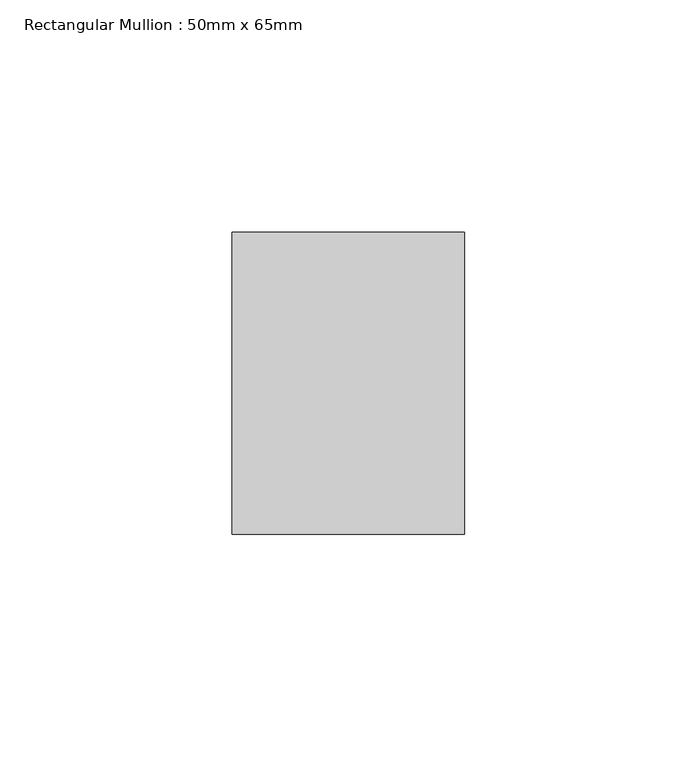
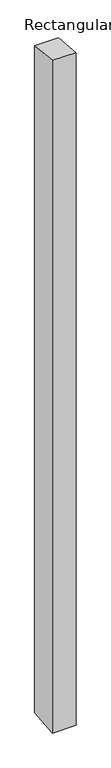
"""IFC4 building model written with IfcOpenShell, lengths in millimetres: member geometry, Rectangular Mullion : 50mm x 65mm."""

from ifc_helpers import new_model, si_unit, origin, place, context, project, spatial, faceted_brep, source, transform, mapped, element, save


def rectangular_mullion_50mm_x_65mm_63e14c35(model_context):
    return source(origin(), model_context, "Body", "Brep", [
        faceted_brep([(-25.0, 32.5, -3.3716851), (25.0, 32.5, -3.3716804), (25.0, 32.5, -1496.8525443), (-25.0, 32.5, -1496.8525399), (-25.0, -32.5, 3.3716804), (-25.0, -32.5, -1503.1464145), (25.0, -32.5, 3.3716851), (25.0, -32.5, -1503.1464189)], [[[0, 1, 2, 3]], [[4, 0, 3, 5]], [[6, 4, 5, 7]], [[1, 6, 7, 2]], [[1, 0, 4, 6]], [[2, 7, 5, 3]]]),
    ])


if __name__ == "__main__":
    model = new_model("IFC4")
    model_context = context("Model", 3, world=origin())
    ifc_project = project(units=[si_unit("LENGTHUNIT", "METRE", prefix="MILLI")], contexts=[model_context])
    site = spatial("IfcSite", under=ifc_project)
    building = spatial("IfcBuilding", under=site)
    placement = place(None, origin())
    rectangular_mullion_50mm_x_65mm_shape = rectangular_mullion_50mm_x_65mm_63e14c35(model_context)
    element("IfcMember", 1, ObjectType="Rectangular Mullion : 50mm x 65mm", at=placement, inside=building, context=model_context, shape_type="MappedRepresentation", body=[
        mapped(rectangular_mullion_50mm_x_65mm_shape, transform((0.0, 0.0, 0.0), x_axis=(1.0, 0.0, 0.0), y_axis=(0.0, 1.0, 0.0), z_axis=(0.0, 0.0, 1.0))),
    ])
    save(model, "model.ifc")
